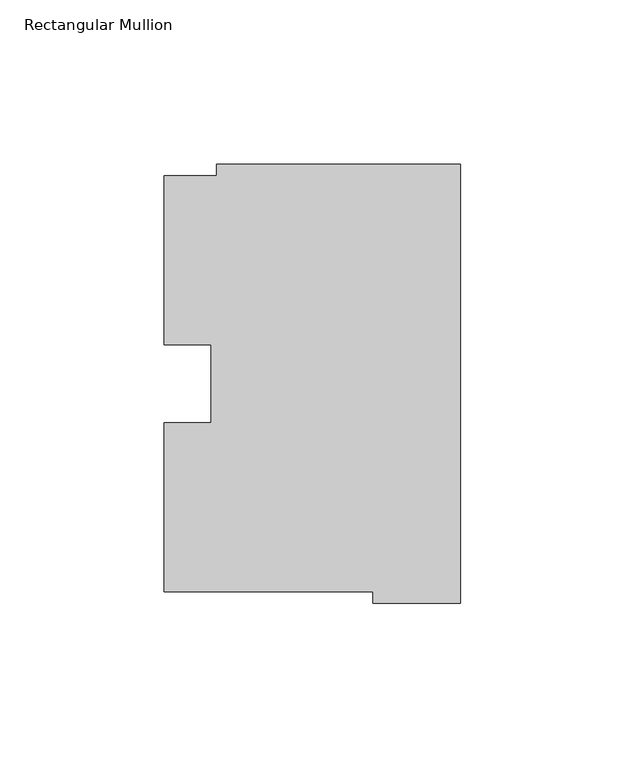
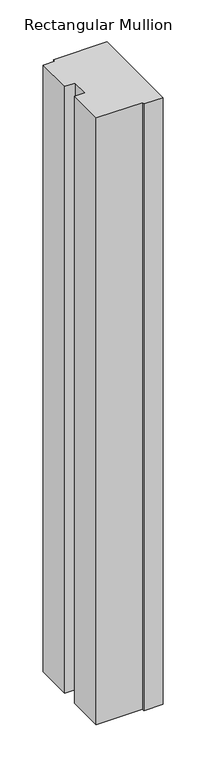
"""IFC4 building model written with IfcOpenShell, lengths in millimetres: member geometry, Rectangular Mullion."""

from ifc_helpers import new_model, si_unit, frame, origin, place, context, project, spatial, polyline, outline, extrude, source, transform, mapped, element, save


def rectangular_mullion_a87531a4(model_context):
    return source(origin(), model_context, "Body", "SweptSolid", [
        extrude(outline(polyline([(-90.0763, 126.75235), (-74.1717324, 126.75235), (-74.1717324, 130.1706837), (0.0, 130.1706837), (0.0, -3.193538), (-26.5763, -3.193538), (-26.5763, 0.26035), (-90.0763, 0.26035), (-90.0763, 51.60645), (-75.8015, 51.60645), (-75.8015, 75.40625), (-90.0763, 75.40625), (-90.0763, 126.75235)])), frame((0.0, 0.0, -882.6497287), z_axis=(0.0, 0.0, 1.0), x_axis=(1.0, 0.0, 0.0)), (0.0, 0.0, 1.0), 882.6497287),
    ])


if __name__ == "__main__":
    model = new_model("IFC4")
    model_context = context("Model", 3, world=origin())
    ifc_project = project(units=[si_unit("LENGTHUNIT", "METRE", prefix="MILLI")], contexts=[model_context])
    site = spatial("IfcSite", under=ifc_project)
    building = spatial("IfcBuilding", under=site)
    placement = place(None, origin())
    rectangular_mullion_shape = rectangular_mullion_a87531a4(model_context)
    element("IfcMember", 1, ObjectType="Rectangular Mullion", at=placement, inside=building, context=model_context, shape_type="MappedRepresentation", body=[
        mapped(rectangular_mullion_shape, transform((0.0, 0.0, 0.0), x_axis=(1.0, 0.0, 0.0), y_axis=(0.0, 1.0, 0.0), z_axis=(0.0, 0.0, 1.0))),
    ])
    save(model, "model.ifc")
